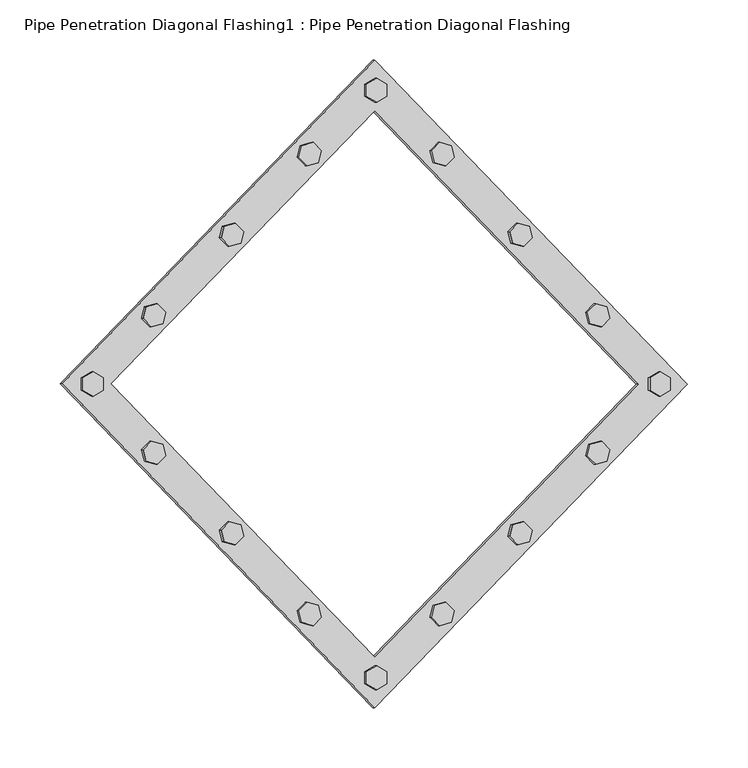
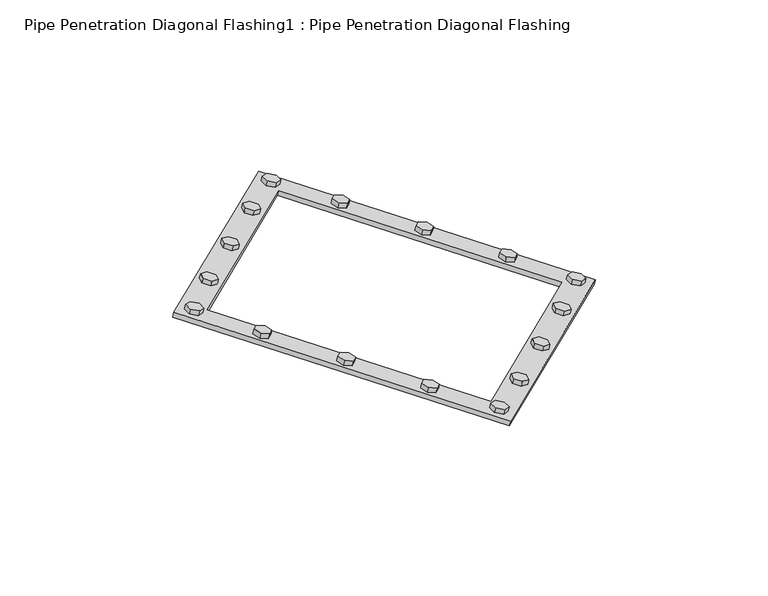
"""IFC4 building model written with IfcOpenShell, lengths in millimetres: proxy geometry, Pipe Penetration Diagonal Flashing1 : Pipe Penetration Diagonal Flashing."""

from ifc_helpers import new_model, si_unit, frame, origin, place, context, project, spatial, polyline, outline, extrude, source, transform, mapped, element, save


def pipe_penetration_diagonal_flashing1_pipe_penetration_e41f14fe(model_context):
    return source(origin(), model_context, "Body", "SweptSolid", [
        extrude(outline(polyline([(0.0, 0.0), (5.0, -8.660254), (0.0, -17.3205081), (-10.0, -17.3205081), (-15.0, -8.6602541), (-10.0, 0.0), (0.0, 0.0)])), frame((38450.4909825, -8411.4751597, 5991.6812771), z_axis=(0.25881904510251935, 0.0, 0.9659258262890686), x_axis=(0.8365163037379301, -0.49999999999978195, -0.22414386804204403)), (0.0, 0.0, 1.0), 5.7971449),
        extrude(outline(polyline([(-332.8208819, 89.2615414), (-327.8208819, 80.6012874), (-332.820882, 71.9410333), (-342.820882, 71.9410333), (-347.820882, 80.6012873), (-342.820882, 89.2615414), (-332.8208819, 89.2615414)])), frame((38450.4909825, -8411.4751597, 5991.6812771), z_axis=(0.25881904510251935, 0.0, 0.9659258262890686), x_axis=(0.8365163037379301, -0.49999999999978195, -0.22414386804204403)), (0.0, 0.0, 1.0), 5.7971449),
        extrude(outline(polyline([(-84.1076785, -341.5223635), (-89.1076785, -350.1826176), (-99.1076785, -350.1826175), (-104.1076785, -341.5223635), (-99.1076785, -332.8621095), (-89.1076785, -332.8621095), (-84.1076785, -341.5223635)])), frame((38450.4909825, -8411.4751597, 5991.6812771), z_axis=(0.25881904510251935, 0.0, 0.9659258262890686), x_axis=(0.8365163037379301, -0.49999999999978195, -0.22414386804204403)), (0.0, 0.0, 1.0), 5.7971449),
        extrude(outline(polyline([(-436.9285606, -252.2608221), (-431.9285605, -243.600568), (-421.9285606, -243.600568), (-416.9285606, -252.2608221), (-421.9285605, -260.9210761), (-431.9285606, -260.9210761), (-436.9285606, -252.2608221)])), frame((38450.4909825, -8411.4751597, 5991.6812771), z_axis=(0.25881904510251935, 0.0, 0.9659258262890686), x_axis=(0.8365163037379301, -0.49999999999978195, -0.22414386804204403)), (0.0, 0.0, 1.0), 5.7971449),
        extrude(outline(polyline([(-160.9443468, 41.4159972), (-163.5325372, 31.7567389), (-173.1917954, 29.1685485), (-180.2628633, 36.2396163), (-177.6746728, 45.8988746), (-168.0154146, 48.487065), (-160.9443468, 41.4159972)])), frame((38450.4909825, -8411.4751597, 5991.6812771), z_axis=(0.25881904510251935, 0.0, 0.9659258262890686), x_axis=(0.8365163037379301, -0.49999999999978195, -0.22414386804204403)), (0.0, 0.0, 1.0), 5.7971449),
        extrude(outline(polyline([(-252.3076304, 65.8967152), (-254.8958208, 56.237457), (-264.555079, 53.6492665), (-271.6261469, 60.7203343), (-269.0379564, 70.3795926), (-259.3786982, 72.9677831), (-252.3076304, 65.8967152)])), frame((38450.4909825, -8411.4751597, 5991.6812771), z_axis=(0.25881904510251935, 0.0, 0.9659258262890686), x_axis=(0.8365163037379301, -0.49999999999978195, -0.22414386804204403)), (0.0, 0.0, 1.0), 5.7971449),
        extrude(outline(polyline([(-86.3113892, 21.4181565), (-76.652131, 24.006347), (-69.5810631, 16.9352791), (-72.1692536, 7.2760209), (-81.8285118, 4.6878304), (-88.8995796, 11.7588982), (-86.3113892, 21.4181565)])), frame((38450.4909825, -8411.4751597, 5991.6812771), z_axis=(0.25881904510251935, 0.0, 0.9659258262890686), x_axis=(0.8365163037379301, -0.49999999999978195, -0.22414386804204403)), (0.0, 0.0, 1.0), 5.7971449),
        extrude(outline(polyline([(-39.6048677, -168.7501455), (-37.0166772, -178.4094038), (-44.087745, -185.4804716), (-53.7470033, -182.8922811), (-56.3351937, -173.2330229), (-49.2641259, -166.1619551), (-39.6048677, -168.7501455)])), frame((38450.4909825, -8411.4751597, 5991.6812771), z_axis=(0.25881904510251935, 0.0, 0.9659258262890686), x_axis=(0.8365163037379301, -0.49999999999978195, -0.22414386804204403)), (0.0, 0.0, 1.0), 5.7971449),
        extrude(outline(polyline([(-64.0855858, -260.1134291), (-61.4973953, -269.7726874), (-68.5684631, -276.8437553), (-78.2277214, -274.2555647), (-80.8159118, -264.5963065), (-73.744844, -257.5252387), (-64.0855858, -260.1134291)])), frame((38450.4909825, -8411.4751597, 5991.6812771), z_axis=(0.25881904510251935, 0.0, 0.9659258262890686), x_axis=(0.8365163037379301, -0.49999999999978195, -0.22414386804204403)), (0.0, 0.0, 1.0), 5.7971449),
        extrude(outline(polyline([(-19.6070269, -94.117188), (-29.2662852, -91.5289976), (-31.8544756, -81.8697393), (-24.7834079, -74.7986714), (-15.1241496, -77.386862), (-12.5359592, -87.0461202), (-19.6070269, -94.117188)])), frame((38450.4909825, -8411.4751597, 5991.6812771), z_axis=(0.25881904510251935, 0.0, 0.9659258262890686), x_axis=(0.8365163037379301, -0.49999999999978195, -0.22414386804204403)), (0.0, 0.0, 1.0), 5.7971449),
        extrude(outline(polyline([(-392.3236929, -92.1709306), (-394.9118833, -82.5116724), (-387.8408156, -75.4406045), (-378.1815572, -78.0287949), (-375.5933668, -87.6880532), (-382.6644346, -94.7591211), (-392.3236929, -92.1709306)])), frame((38450.4909825, -8411.4751597, 5991.6812771), z_axis=(0.25881904510251935, 0.0, 0.9659258262890686), x_axis=(0.8365163037379301, -0.49999999999978195, -0.22414386804204403)), (0.0, 0.0, 1.0), 5.7971449),
        extrude(outline(polyline([(-367.8429748, -0.807647), (-370.4311653, 8.8516113), (-363.3600975, 15.9226791), (-353.7008392, 13.3344886), (-351.1126488, 3.6752303), (-358.1837166, -3.3958374), (-367.8429748, -0.807647)])), frame((38450.4909825, -8411.4751597, 5991.6812771), z_axis=(0.25881904510251935, 0.0, 0.9659258262890686), x_axis=(0.8365163037379301, -0.49999999999978195, -0.22414386804204403)), (0.0, 0.0, 1.0), 5.7971449),
        extrude(outline(polyline([(-412.3215336, -166.8038882), (-402.6622753, -169.3920786), (-400.0740848, -179.0513369), (-407.1451527, -186.1224047), (-416.804411, -183.5342142), (-419.3926014, -173.8749559), (-412.3215336, -166.8038882)])), frame((38450.4909825, -8411.4751597, 5991.6812771), z_axis=(0.25881904510251935, 0.0, 0.9659258262890686), x_axis=(0.8365163037379301, -0.49999999999978195, -0.22414386804204403)), (0.0, 0.0, 1.0), 5.7971449),
        extrude(outline(polyline([(-270.9842138, -302.3370733), (-268.3960234, -292.6778151), (-258.7367651, -290.0896246), (-251.6656972, -297.1606924), (-254.2538878, -306.8199507), (-263.913146, -309.4081412), (-270.9842138, -302.3370733)])), frame((38450.4909825, -8411.4751597, 5991.6812771), z_axis=(0.25881904510251935, 0.0, 0.9659258262890686), x_axis=(0.8365163037379301, -0.49999999999978195, -0.22414386804204403)), (0.0, 0.0, 1.0), 5.7971449),
        extrude(outline(polyline([(-179.6209302, -326.8177914), (-177.0327398, -317.1585331), (-167.3734815, -314.5703427), (-160.3024137, -321.6414105), (-162.8906041, -331.3006688), (-172.5498624, -333.8888592), (-179.6209302, -326.8177914)])), frame((38450.4909825, -8411.4751597, 5991.6812771), z_axis=(0.25881904510251935, 0.0, 0.9659258262890686), x_axis=(0.8365163037379301, -0.49999999999978195, -0.22414386804204403)), (0.0, 0.0, 1.0), 5.7971449),
        extrude(outline(polyline([(-345.6171714, -282.3392327), (-355.2764296, -284.9274231), (-362.3474974, -277.8563553), (-359.759307, -268.197097), (-350.1000487, -265.6089065), (-343.0289809, -272.6799744), (-345.6171714, -282.3392327)])), frame((38450.4909825, -8411.4751597, 5991.6812771), z_axis=(0.25881904510251935, 0.0, 0.9659258262890686), x_axis=(0.8365163037379301, -0.49999999999978195, -0.22414386804204403)), (0.0, 0.0, 1.0), 5.7971449),
        extrude(outline(polyline([(-40.0, -30.0), (-40.0, 349.9137803), (339.9137803, 349.9137803), (339.9137803, -30.0), (-40.0, -30.0)]), holes=[polyline([(309.9137803, -1e-07), (309.9137803, 319.9137803), (-10.0, 319.9137802), (-10.0, 0.0), (309.9137803, -1e-07)])]), frame((37993.6502796, -8423.5462275, 6108.0897285), z_axis=(0.2588190451025194, 0.0, 0.9659258262890686), x_axis=(0.6830127018922216, -0.7071067811865457, -0.18301270189221777)), (0.0, 0.0, 1.0), 5.7971449),
    ])


if __name__ == "__main__":
    model = new_model("IFC4")
    model_context = context("Model", 3, world=origin())
    ifc_project = project(units=[si_unit("LENGTHUNIT", "METRE", prefix="MILLI")], contexts=[model_context])
    site = spatial("IfcSite", under=ifc_project)
    building = spatial("IfcBuilding", under=site)
    placement = place(None, origin())
    pipe_penetration_diagonal_flashing1_pipe_penetration_shape = pipe_penetration_diagonal_flashing1_pipe_penetration_e41f14fe(model_context)
    element("IfcBuildingElementProxy", 1, Name="Pipe Penetration Diagonal Flashing1 : Pipe Penetration Diagonal Flashing", ObjectType="Pipe Penetration Diagonal Flashing1 : Pipe Penetration Diagonal Flashing", at=placement, inside=building, context=model_context, shape_type="MappedRepresentation", body=[
        mapped(pipe_penetration_diagonal_flashing1_pipe_penetration_shape, transform((0.0, 0.0, 0.0), x_axis=(1.0, 0.0, 0.0), y_axis=(0.0, 1.0, 0.0), z_axis=(0.0, 0.0, 1.0))),
    ])
    save(model, "model.ifc")
